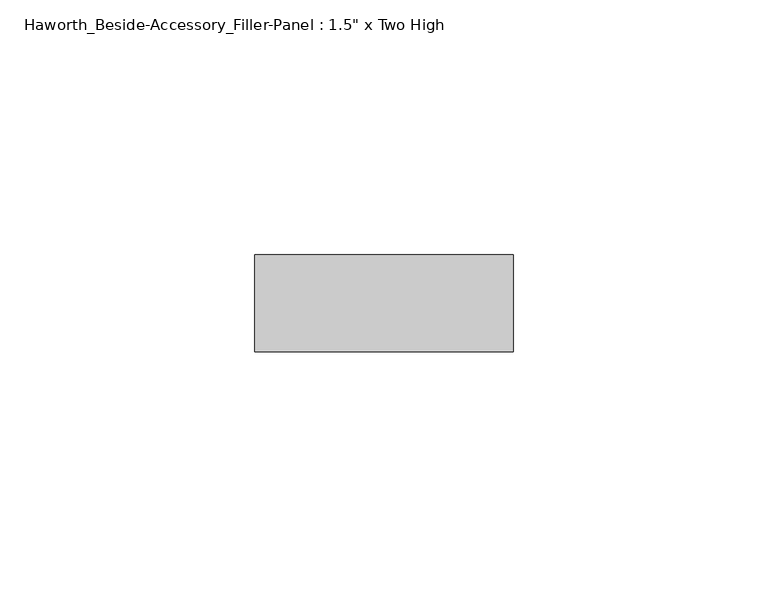
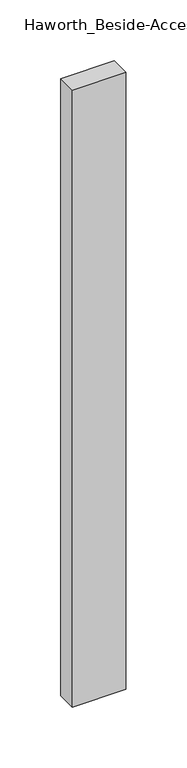
"""IFC4 building model written with IfcOpenShell, lengths in millimetres: furniture geometry."""

import ifcopenshell
import ifcopenshell.guid

model = None  # the IFC model being written
_history = None  # IfcOwnerHistory: only IFC2X3 demands one
_inside = {}  # id of a spatial element -> (the spatial element, [elements in it])
_under = {}  # id of a project, library or spatial element -> (it, [spatial elements below it])
_declared = {}  # id of a project -> (the project, [libraries it declares])
_typed = {}  # id of a type object -> (the type object, [elements of that type])
_made_of = {}  # id of a material, layer set ... -> (it, [elements and type objects made of it])


def new_model(schema):
    """Start an empty IFC model of exactly this schema.

    Asked for "IFC4X3", IfcOpenShell would pick the latest addendum, in which some entities
    have other attributes; the version numbers below select the first issue.
    IFC2X3 requires an IfcOwnerHistory on every rooted entity: one is made here for all.
    """
    global model, _history
    if schema == "IFC4X3":
        model = ifcopenshell.file(schema_version=(4, 3, 0, 0))
    else:
        model = ifcopenshell.file(schema=schema)
    _inside.clear()
    _under.clear()
    _declared.clear()
    _typed.clear()
    _made_of.clear()
    _history = None
    if model.schema == "IFC2X3":
        org = make("IfcOrganization", Name="unknown")
        user = make(
            "IfcPersonAndOrganization",
            ThePerson=make("IfcPerson", FamilyName="unknown"),
            TheOrganization=org,
        )
        app = make(
            "IfcApplication",
            ApplicationDeveloper=org,
            Version="unknown",
            ApplicationFullName="unknown",
            ApplicationIdentifier="unknown",
        )
        _history = make(
            "IfcOwnerHistory",
            OwningUser=user,
            OwningApplication=app,
            ChangeAction="ADDED",
            CreationDate=0,
        )
    return model


def make(cls, **values):
    """One entity of the class cls with the attributes given. An attribute that is None is left unset."""
    return model.create_entity(
        cls, **{name: value for name, value in values.items() if value is not None}
    )


def rooted(cls, **values):
    """An entity with a GlobalId (a new one), such as an element, a storey or a relation."""
    return make(cls, GlobalId=ifcopenshell.guid.new(), OwnerHistory=_history, **values)


def si_unit(unit_type, name, prefix=None):
    """IfcSIUnit, for example si_unit("LENGTHUNIT", "METRE", prefix="MILLI")."""
    return make("IfcSIUnit", UnitType=unit_type, Prefix=prefix, Name=name)


def assignment(units):
    """IfcUnitAssignment: the units of a project."""
    return None if units is None else make("IfcUnitAssignment", Units=units)


def point(xyz):
    """IfcCartesianPoint."""
    return None if xyz is None else make("IfcCartesianPoint", Coordinates=xyz)


def direction(xyz):
    """IfcDirection."""
    return None if xyz is None else make("IfcDirection", DirectionRatios=xyz)


def frame(location, z_axis=None, x_axis=None):
    """IfcAxis2Placement3D, a coordinate frame: its origin and axes. An axis left out is left unset."""
    return make(
        "IfcAxis2Placement3D",
        Location=point(location),
        Axis=direction(z_axis),
        RefDirection=direction(x_axis),
    )


def origin():
    """The frame at (0, 0, 0) with its axes left unset."""
    return frame((0.0, 0.0, 0.0))


def place(relative_to, where):
    """IfcLocalPlacement: puts the frame where relative to a parent placement (None: the world)."""
    return make(
        "IfcLocalPlacement", PlacementRelTo=relative_to, RelativePlacement=where
    )


def context(
    kind, dimensions, precision=None, world=None, true_north=None, identifier=None
):
    """IfcGeometricRepresentationContext, for example the 3D "Model" context."""
    return make(
        "IfcGeometricRepresentationContext",
        ContextIdentifier=identifier,
        ContextType=kind,
        CoordinateSpaceDimension=dimensions,
        Precision=precision,
        WorldCoordinateSystem=world,
        TrueNorth=true_north,
    )


def project(units=None, contexts=None):
    """IfcProject with its units and contexts."""
    return rooted(
        "IfcProject",
        Name="project",
        RepresentationContexts=contexts,
        UnitsInContext=assignment(units),
    )


def spatial(cls, under=None, at=None, **own):
    """A site, building, storey or space (cls), placed at a placement, below another one or the project."""
    s = rooted(cls, ObjectPlacement=at, **own)
    if under is not None:
        _under.setdefault(under.id(), (under, []))[1].append(s)
    return s


def polyline(points):
    """IfcPolyline through the points."""
    return make("IfcPolyline", Points=[point(p) for p in points])


def outline(outer, holes=None, kind="AREA"):
    """IfcArbitraryClosedProfileDef: a profile drawn as a closed curve; with holes, ...WithVoids."""
    if holes is None:
        return make("IfcArbitraryClosedProfileDef", ProfileType=kind, OuterCurve=outer)
    return make(
        "IfcArbitraryProfileDefWithVoids",
        ProfileType=kind,
        OuterCurve=outer,
        InnerCurves=holes,
    )


def extrude(swept, where, along, depth):
    """IfcExtrudedAreaSolid: the profile swept, set in the frame where, extruded along a direction by depth."""
    return make(
        "IfcExtrudedAreaSolid",
        SweptArea=swept,
        Position=where,
        ExtrudedDirection=direction(along),
        Depth=depth,
    )


def shape(context_of_items, identifier, shape_type, items):
    """IfcShapeRepresentation: the items that make up one representation, for example the "Body"."""
    return make(
        "IfcShapeRepresentation",
        ContextOfItems=context_of_items,
        RepresentationIdentifier=identifier,
        RepresentationType=shape_type,
        Items=items,
    )


def source(mapping_origin, context_of_items, identifier, shape_type, items):
    """IfcRepresentationMap: a shape defined once, which mapped items show again and again."""
    return make(
        "IfcRepresentationMap",
        MappingOrigin=mapping_origin,
        MappedRepresentation=shape(context_of_items, identifier, shape_type, items),
    )


def transform(
    local_origin,
    x_axis=None,
    y_axis=None,
    z_axis=None,
    scale=None,
    scale2=None,
    scale3=None,
    uniform=True,
):
    """IfcCartesianTransformationOperator3D, or its non-uniform kind. x_axis, y_axis, z_axis: its Axis1, 2, 3."""
    if uniform:
        return make(
            "IfcCartesianTransformationOperator3D",
            Axis1=direction(x_axis),
            Axis2=direction(y_axis),
            LocalOrigin=point(local_origin),
            Scale=scale,
            Axis3=direction(z_axis),
        )
    return make(
        "IfcCartesianTransformationOperator3DnonUniform",
        Axis1=direction(x_axis),
        Axis2=direction(y_axis),
        LocalOrigin=point(local_origin),
        Scale=scale,
        Axis3=direction(z_axis),
        Scale2=scale2,
        Scale3=scale3,
    )


def mapped(mapping_source, mapping_target):
    """IfcMappedItem: shows the shape of a source again, moved by a transform."""
    return make(
        "IfcMappedItem", MappingSource=mapping_source, MappingTarget=mapping_target
    )


def made_of(thing, what):
    """Note that an element or type object is made of a material, layer set ...; save() writes the relation."""
    if what is not None:
        _made_of.setdefault(what.id(), (what, []))[1].append(thing)
    return thing


def element(
    cls,
    number,
    at=None,
    inside=None,
    cuts=None,
    type_object=None,
    material=None,
    context=None,
    identifier="Body",
    shape_type=None,
    held_by="IfcProductDefinitionShape",
    body=None,
    shapes=None,
    **own,
):
    """One element of the class cls, such as IfcWall. Its Tag is "e" and its number.

    at: its placement. inside: the storey or other place that contains it. cuts: it is an
    opening in that element (IfcRelVoidsElement). A single representation is given by context,
    identifier, shape_type and body (its items); several are given by shapes. held_by: the class
    of the entity that holds the representations. save() writes the other relations.
    """
    e = rooted(cls, Tag="e%d" % number, ObjectPlacement=at, **own)
    if body is not None:
        shapes = [shape(context, identifier, shape_type, body)]
    if shapes is not None:
        e.Representation = make(held_by, Representations=shapes)
    if inside is not None:
        _inside.setdefault(inside.id(), (inside, []))[1].append(e)
    if cuts is not None:
        rooted(
            "IfcRelVoidsElement", RelatingBuildingElement=cuts, RelatedOpeningElement=e
        )
    if type_object is not None:
        _typed.setdefault(type_object.id(), (type_object, []))[1].append(e)
    return made_of(e, material)


def aggregate(whole, parts):
    """IfcRelAggregates: a whole, such as a stair, and the parts it consists of."""
    return rooted("IfcRelAggregates", RelatingObject=whole, RelatedObjects=parts)


def save(model, path):
    """Write the relations noted so far, then the file.

    IfcRelAggregates (storeys below a building ...), IfcRelContainedInSpatialStructure (elements
    in a storey), IfcRelDefinesByType, IfcRelAssociatesMaterial and IfcRelDeclares: one each for
    every whole, place, type object, material and project.
    """
    for whole, parts in _under.values():
        aggregate(whole, parts)
    for where, things in _inside.values():
        rooted(
            "IfcRelContainedInSpatialStructure",
            RelatedElements=things,
            RelatingStructure=where,
        )
    for kind, things in _typed.values():
        rooted("IfcRelDefinesByType", RelatedObjects=things, RelatingType=kind)
    for what, things in _made_of.values():
        rooted("IfcRelAssociatesMaterial", RelatedObjects=things, RelatingMaterial=what)
    for by, libraries in _declared.values():
        rooted("IfcRelDeclares", RelatingContext=by, RelatedDefinitions=libraries)
    model.write(path)


def furniture_444b1bb6(model_context):
    return source(origin(), model_context, "Body", "SweptSolid", [
        extrude(outline(polyline([(327.025, -247.8645843), (276.225, -247.8645843), (276.225, -228.8145843), (327.025, -228.8145843), (327.025, -247.8645843)])), frame((0.0, 0.0, 44.45), z_axis=(0.0, 0.0, 1.0), x_axis=(1.0, 0.0, 0.0)), (0.0, 0.0, 1.0), 619.125),
    ])


if __name__ == "__main__":
    model = new_model("IFC4")
    model_context = context("Model", 3, world=origin())
    ifc_project = project(units=[si_unit("LENGTHUNIT", "METRE", prefix="MILLI")], contexts=[model_context])
    site = spatial("IfcSite", under=ifc_project)
    building = spatial("IfcBuilding", under=site)
    placement = place(None, origin())
    furniture_shape = furniture_444b1bb6(model_context)
    element("IfcFurniture", 1, ObjectType="Haworth_Beside-Accessory_Filler-Panel : 1.5\" x Two High", at=placement, inside=building, context=model_context, shape_type="MappedRepresentation", body=[
        mapped(furniture_shape, transform((0.0, 0.0, 0.0), x_axis=(1.0, 0.0, 0.0), y_axis=(0.0, 1.0, 0.0), z_axis=(0.0, 0.0, 1.0))),
    ])
    save(model, "model.ifc")
